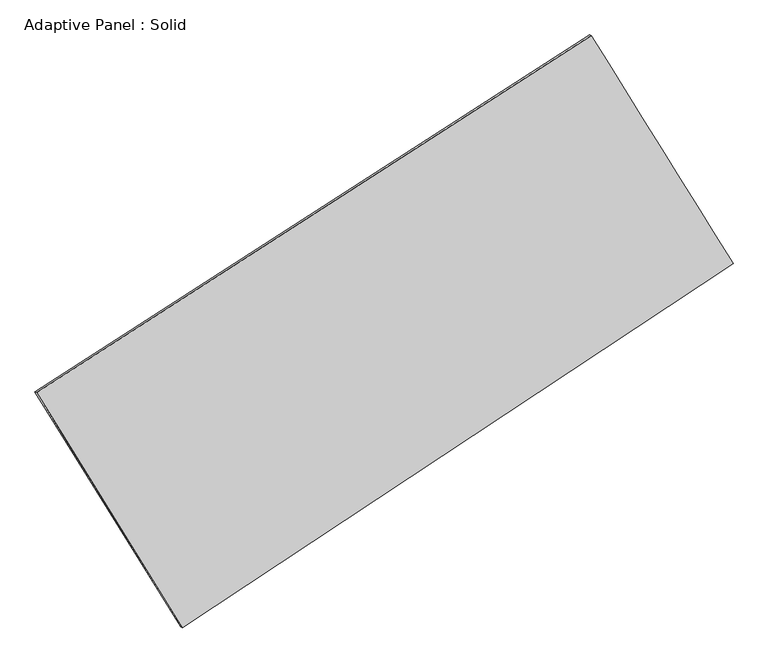
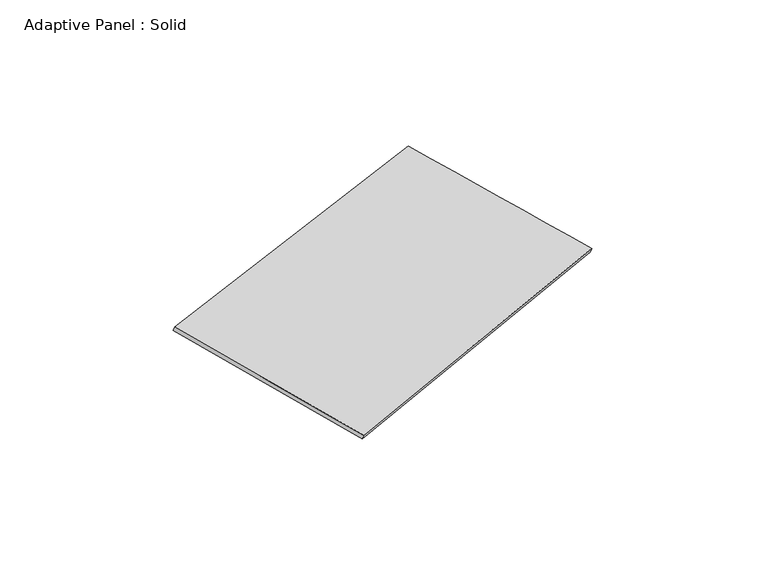
"""IFC4 building model written with IfcOpenShell, lengths in millimetres: plate geometry, Adaptive Panel : Solid."""

from ifc_helpers import new_model, si_unit, frame, origin, place, context, project, spatial, source, transform, mapped, element, save
from ifc_brep_helpers import plane_surface, spline_surface, advanced_brep


def adaptive_panel_solid_6218c011(model_context):
    return source(origin(), model_context, "Body", "AdvancedBrep", [
        advanced_brep(
        [(1150.1727054, 2480.6113096, 651.980919), (-3711.403761, -651.2248437, 1753.5596129), (-3696.7374052, -657.6049371, 1800.9325209), (1164.8390612, 2474.2312161, 699.3538271), (-2435.0981153, -2712.9218399, 1062.8131812), (-2420.4317595, -2719.3019333, 1110.1860892), (2393.0385927, 483.2868011, 16.7688071), (2407.7049486, 476.9067076, 64.1417152)],
        [
            (0, 1),
            (1, 2),
            (2, 3),
            (3, 0),
            (1, 4),
            (4, 5),
            (5, 2),
            (4, 6),
            (6, 7),
            (7, 5),
            (6, 0),
            (3, 7),
        ],
        [
            plane_surface(frame((-1280.6155278, 914.693233, 1202.770266), z_axis=(-0.4801649726277477, 0.8373165167198312, 0.26142427180650873), x_axis=(-0.825815246960473, -0.5319916418505404, 0.1871204715919123))),
            plane_surface(frame((-3073.2509381, -1682.0733418, 1408.186397), z_axis=(-0.8097419384901466, -0.5599981033310282, 0.1752715530708593), x_axis=(0.5062202027048014, -0.8177294168100419, -0.2739702671039667))),
            plane_surface(frame((-21.0297613, -1114.8175194, 539.7909942), z_axis=(0.491984034720604, -0.8295978299299209, -0.26404384135139675), x_axis=(0.8205605177157677, 0.543208027393041, -0.17777928940625357))),
            plane_surface(frame((1771.6056491, 1481.9490553, 334.3748631), z_axis=(0.8099009731756879, 0.5597418438861526, -0.1753553017504863), x_axis=(-0.5100607436708827, 0.8196836316362512, 0.260685215908982))),
            spline_surface(1, 1, [[(-3696.7374052, -657.6049371, 1800.9325209), (1164.8390612, 2474.2312161, 699.3538271)], [(-2420.4317595, -2719.3019333, 1110.1860892), (2407.7049486, 476.9067076, 64.1417152)]], [2, 2], [2, 2], [0.0, 1.0], [0.0, 1.0]),
            spline_surface(1, 1, [[(2393.0385927, 483.2868011, 16.7688071), (1150.1727054, 2480.6113096, 651.980919)], [(-2435.0981153, -2712.9218399, 1062.8131812), (-3711.403761, -651.2248437, 1753.5596129)]], [2, 2], [2, 2], [0.0, 1.0], [0.0, 1.0]),
        ],
        [
            (0, [[1, 2, 3, 4]]),
            (1, [[5, 6, 7, -2]]),
            (2, [[8, 9, 10, -6]]),
            (3, [[11, -4, 12, -9]]),
            (4, [[-3, -7, -10, -12]]),
            (5, [[-11, -8, -5, -1]]),
        ],
    ),
    ])


if __name__ == "__main__":
    model = new_model("IFC4")
    model_context = context("Model", 3, world=origin())
    ifc_project = project(units=[si_unit("LENGTHUNIT", "METRE", prefix="MILLI")], contexts=[model_context])
    site = spatial("IfcSite", under=ifc_project)
    building = spatial("IfcBuilding", under=site)
    placement = place(None, origin())
    adaptive_panel_solid_shape = adaptive_panel_solid_6218c011(model_context)
    element("IfcPlate", 1, ObjectType="Adaptive Panel : Solid", at=placement, inside=building, context=model_context, shape_type="MappedRepresentation", body=[
        mapped(adaptive_panel_solid_shape, transform((0.0, 0.0, 0.0), x_axis=(1.0, 0.0, 0.0), y_axis=(0.0, 1.0, 0.0), z_axis=(0.0, 0.0, 1.0))),
    ])
    save(model, "model.ifc")
